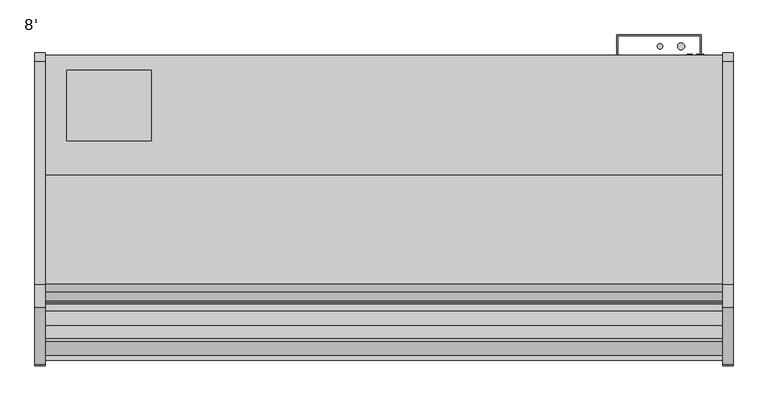
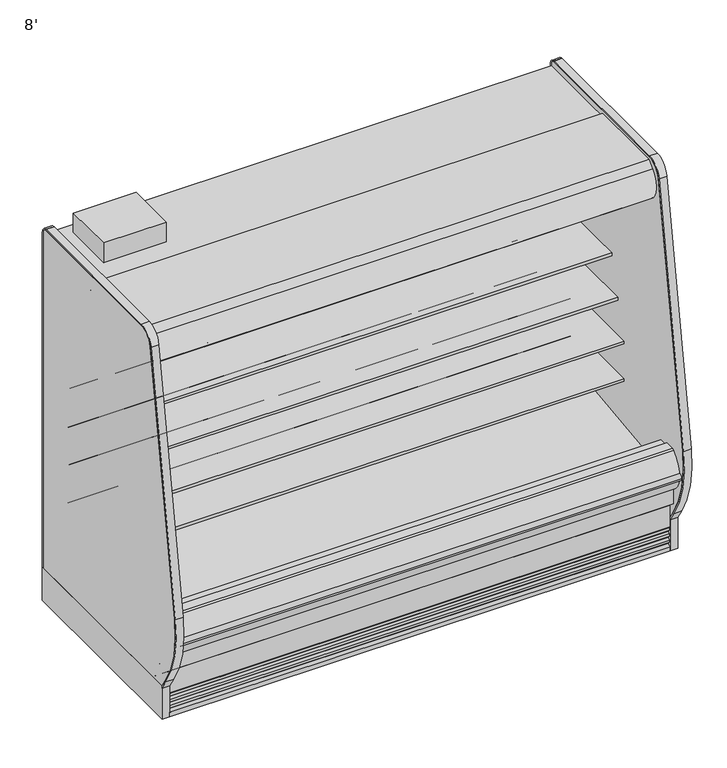
"""IFC4 building model written with IfcOpenShell, lengths in millimetres: proxy geometry, 8'."""

from ifc_helpers import new_model, si_unit, point, frame, frame_2d, origin, origin_with_axes, place, context, project, spatial, polyline, circle_curve, trimmed, segment, composite_curve, outline, extrude, faceted_brep, source, transform, mapped, element, save
from ifc_brep_helpers import plane_surface, cylinder_surface, revolved_surface, advanced_brep


def proxy_8_2a17a5bb(model_context):
    return source(origin(), model_context, "Body", "SolidModel", [
        extrude(outline(polyline([(381.0, -452.3089273), (381.0, -706.3089273), (76.2, -706.3089273), (76.2, -452.3089273), (381.0, -452.3089273)])), frame((0.0, 0.0, 1890.890681), z_axis=(0.0, 0.0, 1.0), x_axis=(1.0, 0.0, 0.0)), (0.0, 0.0, 1.0), 101.6),
        extrude(outline(composite_curve([segment(polyline([(-501.7581995, 650.7627781), (-501.7581995, 575.6617518), (-525.138746, 575.6617518)]), True, "CONTINUOUS"), segment(trimmed(circle_curve(frame_2d((-525.5705821, 601.0580806)), 25.4), [point((-525.138746, 575.6617518))], [point((-541.5479383, 581.3125979))], False, "CARTESIAN"), True, "CONTINUOUS"), segment(polyline([(-541.5479383, 581.3125979), (-559.3999995, 595.7578634)]), True, "CONTINUOUS"), segment(trimmed(circle_curve(frame_2d((-599.3433901, 546.3941567)), 63.5), [point((-559.3999995, 595.7578634))], [point((-591.4455089, 609.4010886))], True, "CARTESIAN"), True, "CONTINUOUS"), segment(polyline([(-591.4455089, 609.4010886), (-866.0092482, 633.098226), (-867.4980247, 636.5387781), (-1009.7581995, 636.5387781), (-1009.7581995, 650.7627781), (-501.7581995, 650.7627781)]), True, "CONTINUOUS")], self_intersect=False)), frame((0.0, 0.0, 0.0), z_axis=(1.0, 0.0, 0.0), x_axis=(0.0, 1.0, 0.0)), (0.0, 0.0, 1.0), 2438.4),
        extrude(outline(composite_curve([segment(polyline([(-501.7581995, 844.576863), (-501.7581995, 769.4758366), (-525.138746, 769.4758366)]), True, "CONTINUOUS"), segment(trimmed(circle_curve(frame_2d((-525.5705821, 794.8721655)), 25.4), [point((-525.138746, 769.4758366))], [point((-541.5479383, 775.1266828))], False, "CARTESIAN"), True, "CONTINUOUS"), segment(polyline([(-541.5479383, 775.1266828), (-559.3999995, 789.5719483)]), True, "CONTINUOUS"), segment(trimmed(circle_curve(frame_2d((-599.3433901, 740.2082415)), 63.5), [point((-559.3999995, 789.5719483))], [point((-591.4455089, 803.2151735))], True, "CARTESIAN"), True, "CONTINUOUS"), segment(polyline([(-591.4455089, 803.2151735), (-866.0092482, 826.9123109), (-867.4980247, 830.352863), (-1009.7581995, 830.352863), (-1009.7581995, 844.576863), (-501.7581995, 844.576863)]), True, "CONTINUOUS")], self_intersect=False)), frame((0.0, 0.0, 0.0), z_axis=(1.0, 0.0, 0.0), x_axis=(0.0, 1.0, 0.0)), (0.0, 0.0, 1.0), 2438.4),
        extrude(outline(composite_curve([segment(polyline([(-501.7581995, 1038.3909479), (-501.7581995, 963.2899215), (-525.138746, 963.2899215)]), True, "CONTINUOUS"), segment(trimmed(circle_curve(frame_2d((-525.5705821, 988.6862503)), 25.4), [point((-525.138746, 963.2899215))], [point((-541.5479383, 968.9407676))], False, "CARTESIAN"), True, "CONTINUOUS"), segment(polyline([(-541.5479383, 968.9407676), (-559.3999995, 983.3860332)]), True, "CONTINUOUS"), segment(trimmed(circle_curve(frame_2d((-599.3433901, 934.0223264)), 63.5), [point((-559.3999995, 983.3860332))], [point((-591.4455089, 997.0292583))], True, "CARTESIAN"), True, "CONTINUOUS"), segment(polyline([(-591.4455089, 997.0292583), (-866.0092482, 1020.7263958), (-867.4980247, 1024.1669479), (-958.9581995, 1024.1669479), (-958.9581995, 1038.3909479), (-501.7581995, 1038.3909479)]), True, "CONTINUOUS")], self_intersect=False)), frame((0.0, 0.0, 0.0), z_axis=(1.0, 0.0, 0.0), x_axis=(0.0, 1.0, 0.0)), (0.0, 0.0, 1.0), 2438.4),
        extrude(outline(composite_curve([segment(trimmed(circle_curve(frame_2d((2212.975, -366.5839273)), 9.525), [point((2203.45, -366.5839273))], [point((2222.5, -366.5839273))], False, "CARTESIAN"), True, "CONTINUOUS"), segment(trimmed(circle_curve(frame_2d((2212.975, -366.5839273)), 9.525), [point((2222.5, -366.5839273))], [point((2203.45, -366.5839273))], False, "CARTESIAN"), True, "CONTINUOUS")], self_intersect=False)), frame((0.0, 0.0, 1384.8875996), z_axis=(0.0, 0.0, 1.0), x_axis=(1.0, 0.0, 0.0)), (0.0, 0.0, 1.0), 465.5662814),
        extrude(outline(composite_curve([segment(trimmed(circle_curve(frame_2d((2289.175, -366.5839273)), 12.7), [point((2276.475, -366.5839273))], [point((2301.875, -366.5839273))], False, "CARTESIAN"), True, "CONTINUOUS"), segment(trimmed(circle_curve(frame_2d((2289.175, -366.5839273)), 12.7), [point((2301.875, -366.5839273))], [point((2276.475, -366.5839273))], False, "CARTESIAN"), True, "CONTINUOUS")], self_intersect=False)), frame((0.0, 0.0, 1384.8875996), z_axis=(0.0, 0.0, 1.0), x_axis=(1.0, 0.0, 0.0)), (0.0, 0.0, 1.0), 465.5662814),
        extrude(outline(polyline([(2359.025, -401.5089273), (2359.025, -328.4839273), (2060.6752368, -328.4839273), (2060.6752368, -401.5089273), (2057.4, -401.5089273), (2057.4, -325.3089273), (2362.2, -325.3089273), (2362.2, -401.5089273), (2359.025, -401.5089273)])), frame((0.0, 0.0, 636.9744553), z_axis=(0.0, 0.0, 1.0), x_axis=(1.0, 0.0, 0.0)), (0.0, 0.0, 1.0), 1177.4114257),
        extrude(outline(composite_curve([segment(trimmed(circle_curve(frame_2d((2241.55, -1128.5839273)), 12.7), [point((2228.85, -1128.5839273))], [point((2254.25, -1128.5839273))], False, "CARTESIAN"), True, "CONTINUOUS"), segment(trimmed(circle_curve(frame_2d((2241.55, -1128.5839273)), 12.7), [point((2254.25, -1128.5839273))], [point((2228.85, -1128.5839273))], False, "CARTESIAN"), True, "CONTINUOUS")], self_intersect=False)), frame((0.0, 0.0, 66.7090149), z_axis=(0.0, 0.0, 1.0), x_axis=(1.0, 0.0, 0.0)), (0.0, 0.0, 1.0), 57.1159851),
        extrude(outline(composite_curve([segment(trimmed(circle_curve(frame_2d((2203.45, -1128.5839273)), 9.525), [point((2193.925, -1128.5839273))], [point((2212.975, -1128.5839273))], False, "CARTESIAN"), True, "CONTINUOUS"), segment(trimmed(circle_curve(frame_2d((2203.45, -1128.5839273)), 9.525), [point((2212.975, -1128.5839273))], [point((2193.925, -1128.5839273))], False, "CARTESIAN"), True, "CONTINUOUS")], self_intersect=False)), frame((0.0, 0.0, 66.7090149), z_axis=(0.0, 0.0, 1.0), x_axis=(1.0, 0.0, 0.0)), (0.0, 0.0, 1.0), 57.1159851),
        extrude(outline(composite_curve([segment(trimmed(circle_curve(frame_2d((-772.0018909, 1757.6527872)), 14.2875), [point((-786.2893909, 1757.6527872))], [point((-757.7143909, 1757.6527872))], False, "CARTESIAN"), True, "CONTINUOUS"), segment(trimmed(circle_curve(frame_2d((-772.0018909, 1757.6527872)), 14.2875), [point((-757.7143909, 1757.6527872))], [point((-786.2893909, 1757.6527872))], False, "CARTESIAN"), True, "CONTINUOUS")], self_intersect=False)), frame((0.0, 0.0, 0.0), z_axis=(1.0, 0.0, 0.0), x_axis=(0.0, 1.0, 0.0)), (0.0, 0.0, 1.0), 2438.4),
        extrude(outline(polyline([(744.7751963, -1346.7911816), (435.3523963, -1346.7911816), (435.3523963, -1246.4115659), (744.7751963, -1246.4115659), (744.7751963, -1346.7911816)])), frame((0.0, 0.0, 53.2186364), z_axis=(0.0, 0.0, 1.0), x_axis=(1.0, 0.0, 0.0)), (0.0, 0.0, 1.0), 9.8914),
        faceted_brep([(2438.4, -1207.9589273, 133.35), (2438.4, -1271.9080824, 133.35), (2438.4, -1376.2733538, 217.6113531), (2438.4, -1376.2733538, 10.9768116), (2438.4, -1207.9589273, 10.9768116), (0.0, -1207.9589273, 133.35), (0.0, -1207.9589273, 10.9768116), (0.0, -1376.2733538, 10.9768116), (0.0, -1376.2733538, 217.6113531), (0.0, -1271.9080824, 133.35), (744.7751963, -1346.7911816, 10.9768116), (744.7751963, -1246.4115659, 10.9768116), (435.3523963, -1246.4115659, 10.9768116), (435.3523963, -1346.7911816, 10.9768116), (744.7751963, -1346.7911816, 63.1100364), (435.3523963, -1346.7911816, 63.1100364), (435.3523963, -1246.4115659, 63.1100364), (744.7751963, -1246.4115659, 63.1100364)], [[[0, 1, 2, 3, 4]], [[5, 6, 7, 8, 9]], [[1, 0, 5, 9]], [[2, 1, 9, 8]], [[3, 2, 8, 7]], [[4, 3, 7, 6], [10, 11, 12, 13]], [[0, 4, 6, 5]], [[14, 15, 16, 17]], [[14, 17, 11, 10]], [[17, 16, 12, 11]], [[16, 15, 13, 12]], [[15, 14, 10, 13]]]),
        extrude(outline(composite_curve([segment(trimmed(circle_curve(frame_2d((497.8112651, 2358.8090336)), 12.7), [point((497.8112651, 2371.5090336))], [point((497.8112651, 2346.1090336))], False, "CARTESIAN"), True, "CONTINUOUS"), segment(trimmed(circle_curve(frame_2d((497.8112651, 2358.8090336)), 12.7), [point((497.8112651, 2346.1090336))], [point((497.8112651, 2371.5090336))], False, "CARTESIAN"), True, "CONTINUOUS")], self_intersect=False)), frame((0.0, -447.5561252, 0.0), z_axis=(0.0, 1.0, 0.0), x_axis=(0.0, 0.0, 1.0)), (0.0, 0.0, 1.0), 52.3971979),
        extrude(outline(composite_curve([segment(trimmed(circle_curve(frame_2d((497.8112651, 2320.3972115)), 9.525), [point((497.8112651, 2329.9222115))], [point((497.8112651, 2310.8722115))], False, "CARTESIAN"), True, "CONTINUOUS"), segment(trimmed(circle_curve(frame_2d((497.8112651, 2320.3972115)), 9.525), [point((497.8112651, 2310.8722115))], [point((497.8112651, 2329.9222115))], False, "CARTESIAN"), True, "CONTINUOUS")], self_intersect=False)), frame((0.0, -447.5561252, 0.0), z_axis=(0.0, 1.0, 0.0), x_axis=(0.0, 0.0, 1.0)), (0.0, 0.0, 1.0), 52.3971979),
        extrude(outline(composite_curve([segment(polyline([(-448.6101762, 1839.296931), (-448.6101762, 407.920884), (-501.7581995, 407.920884), (-501.7581995, 1761.0279745)]), True, "CONTINUOUS"), segment(trimmed(circle_curve(frame_2d((-527.1581995, 1761.0279745)), 25.4), [point((-501.7581995, 1761.0279745))], [point((-527.1581995, 1786.4279745))], True, "CARTESIAN"), True, "CONTINUOUS"), segment(polyline([(-527.1581995, 1786.4279745), (-992.6733136, 1786.4279745), (-992.6733136, 1753.1446108), (-1003.5184137, 1753.1446108)]), True, "CONTINUOUS"), segment(trimmed(circle_curve(frame_2d((-1003.5184137, 1753.4621108)), 0.3175), [point((-1003.5184137, 1753.1446108))], [point((-1003.5184137, 1753.7796108))], False, "CARTESIAN"), True, "CONTINUOUS"), segment(polyline([(-1003.5184137, 1753.7796108), (-993.3389611, 1753.7796108), (-993.3389611, 1779.1796104), (-1094.9389599, 1779.1796104), (-1094.9389599, 1753.7796108), (-1084.7595073, 1753.7796108)]), True, "CONTINUOUS"), segment(trimmed(circle_curve(frame_2d((-1084.7595073, 1753.4621108)), 0.3175), [point((-1084.7595073, 1753.7796108))], [point((-1084.7595073, 1753.1446108))], False, "CARTESIAN"), True, "CONTINUOUS"), segment(polyline([(-1084.7595073, 1753.1446108), (-1095.6048165, 1753.1446108), (-1095.5967104, 1839.296931), (-448.6101762, 1839.296931)]), True, "CONTINUOUS")], self_intersect=False)), frame((0.0, 0.0, 0.0), z_axis=(1.0, 0.0, 0.0), x_axis=(0.0, 1.0, 0.0)), (0.0, 0.0, 1.0), 2438.4),
        advanced_brep(
        [(2438.4, -1425.6139874, 394.41755), (2438.4, -1425.6139874, 257.4474833), (2438.4, -1271.9080824, 133.35), (2438.4, -398.3339273, 133.35), (2438.4, -398.3339273, 1890.890681), (2438.4, -1136.0666873, 1890.890681), (2438.4, -1136.0666873, 1839.296931), (2438.4, -448.6101762, 1839.296931), (2438.4, -448.6101762, 367.1445251), (2438.4, -596.3264929, 214.837363), (2438.4, -1040.4181205, 198.8529213), (2438.4, -1093.5300237, 160.270884), (2438.4, -1160.3460307, 160.270884), (2438.4, -1218.3906168, 192.4470563), (2438.4, -1376.1093872, 344.7542153), (2438.4, -1376.1093872, 394.41755), (0.0, -1425.6139874, 394.41755), (0.0, -1376.1093872, 394.41755), (0.0, -1376.1093872, 344.7542153), (0.0, -1218.3906168, 192.4470563), (0.0, -1160.3460307, 160.270884), (0.0, -1093.5300237, 160.270884), (0.0, -1040.4181205, 198.8529213), (0.0, -596.3264929, 214.837363), (0.0, -448.6101762, 367.1445251), (0.0, -448.6101762, 1839.296931), (0.0, -1136.0666873, 1839.296931), (0.0, -1136.0666873, 1890.890681), (0.0, -398.3339273, 1890.890681), (0.0, -398.3339273, 133.35), (0.0, -1271.9080824, 133.35), (0.0, -1425.6139874, 257.4474833), (2336.8, -398.3339273, 362.4825072), (2336.8, -398.3339273, 464.0825072), (2336.8, -444.3811252, 362.4825072), (2336.8, -444.3811252, 464.0825072)],
        [
            (0, 1),
            (1, 2),
            (2, 3),
            (3, 4),
            (4, 5),
            (5, 6),
            (6, 7),
            (7, 8),
            (8, 9, circle_curve(frame((2438.4, -601.8382276, 367.9684683), z_axis=(-1.0, 0.0, 0.0), x_axis=(0.0, 1.0, 0.0)), 153.2302667)),
            (9, 10),
            (10, 11),
            (11, 12),
            (12, 13),
            (13, 14, circle_curve(frame((2438.4, -1223.7093872, 344.7542153), z_axis=(-1.0, 0.0, 0.0), x_axis=(0.0, 1.0, 0.0)), 152.4)),
            (14, 15),
            (15, 0),
            (16, 17),
            (17, 18),
            (18, 19, circle_curve(frame((0.0, -1223.7093872, 344.7542153), z_axis=(1.0, 0.0, 0.0), x_axis=(0.0, 1.0, 0.0)), 152.4)),
            (19, 20),
            (20, 21),
            (21, 22),
            (22, 23),
            (23, 24, circle_curve(frame((0.0, -601.8382276, 367.9684683), z_axis=(1.0, 0.0, 0.0), x_axis=(0.0, 1.0, 0.0)), 153.2302667)),
            (24, 25),
            (25, 26),
            (26, 27),
            (27, 28),
            (28, 29),
            (29, 30),
            (30, 31),
            (31, 16),
            (0, 16),
            (31, 1),
            (30, 2),
            (29, 3),
            (28, 4),
            (32, 33, circle_curve(frame((2336.8, -398.3339273, 413.2825072), z_axis=(0.0, -1.0, 0.0), x_axis=(0.0, 0.0, 1.0)), 50.8)),
            (33, 32, circle_curve(frame((2336.8, -398.3339273, 413.2825072), z_axis=(0.0, -1.0, 0.0), x_axis=(0.0, 0.0, 1.0)), 50.8)),
            (27, 5),
            (26, 6),
            (25, 7),
            (24, 8),
            (23, 9),
            (22, 10),
            (21, 11),
            (20, 12),
            (19, 13),
            (18, 14),
            (17, 15),
            (34, 35, circle_curve(frame((2336.8, -444.3811252, 413.2825072), z_axis=(0.0, 1.0, 0.0), x_axis=(0.0, 0.0, 1.0)), 50.8)),
            (35, 34, circle_curve(frame((2336.8, -444.3811252, 413.2825072), z_axis=(0.0, 1.0, 0.0), x_axis=(0.0, 0.0, 1.0)), 50.8)),
            (35, 33),
            (32, 34),
        ],
        [
            plane_surface(frame((2438.4, -1425.6139874, 257.4474833), z_axis=(1.0, 0.0, 0.0), x_axis=(0.0, 0.0, -1.0))),
            plane_surface(frame((0.0, -1425.6139874, 257.4474833), z_axis=(-1.0, 0.0, 0.0), x_axis=(0.0, 0.0, 1.0))),
            plane_surface(frame((2438.4, -1425.6139874, 394.41755), z_axis=(0.0, -1.0, 0.0), x_axis=(-1.0, 0.0, 0.0))),
            plane_surface(frame((2438.4, -1425.6139874, 257.4474833), z_axis=(0.0, -0.6281851642637385, -0.7780638787393617), x_axis=(-1.0, 0.0, 0.0))),
            plane_surface(frame((2438.4, -1271.9080824, 133.35), z_axis=(0.0, 0.0, -1.0), x_axis=(-1.0, 0.0, 0.0))),
            plane_surface(frame((2438.4, -398.3339273, 133.35), z_axis=(0.0, 1.0, 0.0), x_axis=(-1.0, 0.0, 0.0))),
            plane_surface(frame((2438.4, -398.3339273, 1890.890681), z_axis=(0.0, 0.0, 1.0), x_axis=(-1.0, 0.0, 0.0))),
            plane_surface(frame((2438.4, -1136.0666873, 1890.890681), z_axis=(0.0, -1.0, 0.0), x_axis=(-1.0, 0.0, 0.0))),
            plane_surface(frame((2438.4, -1136.0666873, 1839.296931), z_axis=(0.0, 0.0, -1.0), x_axis=(-1.0, 0.0, 0.0))),
            plane_surface(frame((2438.4, -448.6101762, 1839.296931), z_axis=(0.0, -1.0, 0.0), x_axis=(-1.0, 0.0, 0.0))),
            revolved_surface(polyline([(0.0, -448.60796089999997, 367.9684683), (2438.4, -448.60796089999997, 367.9684683)]), (0.0, -601.8382276, 367.9684683), (-1.0, 0.0, 0.0)),
            plane_surface(frame((2438.4, -596.3264929, 214.837363), z_axis=(0.0, -0.035970274152171335, 0.9993528602938092), x_axis=(-1.0, 0.0, 0.0))),
            plane_surface(frame((2438.4, -1040.4181205, 198.8529213), z_axis=(0.0, -0.5877252382160976, 0.8090605937529224), x_axis=(-1.0, 0.0, 0.0))),
            plane_surface(frame((2438.4, -1093.5300237, 160.270884), z_axis=(0.0, 0.0, 1.0), x_axis=(-1.0, 0.0, 0.0))),
            plane_surface(frame((2438.4, -1160.3460307, 160.270884), z_axis=(0.0, 0.4848272875913194, 0.8746099137368866), x_axis=(-1.0, 0.0, 0.0))),
            revolved_surface(polyline([(0.0, -1071.3093872, 344.7542153), (2438.4, -1071.3093872, 344.7542153)]), (0.0, -1223.7093872, 344.7542153), (-1.0, 0.0, 0.0)),
            plane_surface(frame((2438.4, -1376.1093872, 344.7542153), z_axis=(0.0, 1.0, 0.0), x_axis=(-1.0, 0.0, 0.0))),
            plane_surface(frame((2438.4, -1376.1093872, 394.41755), z_axis=(0.0, 0.0, 1.0), x_axis=(-1.0, 0.0, 0.0))),
            plane_surface(frame((2336.8, -444.3811252, 464.0825072), z_axis=(0.0, 1.0, 0.0), x_axis=(-1.0, 0.0, 0.0))),
            revolved_surface(polyline([(2336.8, -444.3811252, 464.0825072), (2336.8, -398.3339273, 464.0825072)]), (2336.8, -398.3339273, 413.2825072), (0.0, -1.0, 0.0)),
        ],
        [
            (0, [[1, 2, 3, 4, 5, 6, 7, 8, 9, 10, 11, 12, 13, 14, 15, 16]]),
            (1, [[17, 18, 19, 20, 21, 22, 23, 24, 25, 26, 27, 28, 29, 30, 31, 32]]),
            (2, [[-1, 33, -32, 34]]),
            (3, [[-2, -34, -31, 35]]),
            (4, [[-3, -35, -30, 36]]),
            (5, [[-4, -36, -29, 37], [38, 39]]),
            (6, [[-5, -37, -28, 40]]),
            (7, [[-6, -40, -27, 41]]),
            (8, [[-7, -41, -26, 42]]),
            (9, [[-8, -42, -25, 43]]),
            (10, [[-9, -43, -24, 44]]),
            (11, [[-10, -44, -23, 45]]),
            (12, [[-11, -45, -22, 46]]),
            (13, [[-12, -46, -21, 47]]),
            (14, [[-13, -47, -20, 48]]),
            (15, [[-14, -48, -19, 49]]),
            (16, [[-15, -49, -18, 50]]),
            (17, [[-16, -50, -17, -33]]),
            (18, [[51, 52]]),
            (19, [[-52, 53, -38, 54]]),
            (19, [[-51, -54, -39, -53]]),
        ],
    ),
        advanced_brep(
        [(2438.4, -1321.1559113, 376.2501999), (2438.4, -1321.1559113, 524.3829999), (2438.4, -1376.1093872, 524.3829999), (2438.4, -1376.1093872, 344.7542153), (2438.4, -1218.3906168, 192.4470563), (2438.4, -1160.3460307, 160.270884), (2438.4, -1093.5300237, 160.270884), (2438.4, -1040.4181205, 198.8529213), (2438.4, -596.3264929, 214.837363), (2438.4, -448.6101762, 367.1445251), (2438.4, -448.6101762, 407.920884), (2438.4, -501.7581995, 407.920884), (2438.4, -501.7581995, 472.5646663), (2438.4, -513.5722923, 459.8956028), (2438.4, -607.0176758, 453.3612651), (2438.4, -607.4656734, 459.7679299), (2438.4, -1288.3966401, 378.1918392), (2438.4, -1293.8382113, 376.2501999), (0.0, -1321.1559113, 376.2501999), (0.0, -1293.8382113, 376.2501999), (0.0, -1288.3966401, 378.1918392), (0.0, -607.4656734, 459.7679299), (0.0, -607.0176758, 453.3612651), (0.0, -513.5722923, 459.8956028), (0.0, -501.7581995, 472.5646663), (0.0, -501.7581995, 407.920884), (0.0, -448.6101762, 407.920884), (0.0, -448.6101762, 367.1445251), (0.0, -596.3264929, 214.837363), (0.0, -1040.4181205, 198.8529213), (0.0, -1093.5300237, 160.270884), (0.0, -1160.3460307, 160.270884), (0.0, -1218.3906168, 192.4470563), (0.0, -1376.1093872, 344.7542153), (0.0, -1376.1093872, 524.3829999), (0.0, -1321.1559113, 524.3829999)],
        [
            (0, 1),
            (1, 2),
            (2, 3),
            (3, 4, circle_curve(frame((2438.4, -1223.7093872, 344.7542153), z_axis=(1.0, 0.0, 0.0), x_axis=(0.0, 1.0, 0.0)), 152.4)),
            (4, 5),
            (5, 6),
            (6, 7),
            (7, 8),
            (8, 9, circle_curve(frame((2438.4, -601.8382276, 367.9684683), z_axis=(1.0, 0.0, 0.0), x_axis=(0.0, 1.0, 0.0)), 153.2302667)),
            (9, 10),
            (10, 11),
            (11, 12),
            (12, 13, circle_curve(frame((2438.4, -514.4581995, 472.5646663), z_axis=(-1.0, 0.0, 0.0), x_axis=(0.0, 1.0, 0.0)), 12.7)),
            (13, 14),
            (14, 15),
            (15, 16),
            (16, 17),
            (17, 0),
            (18, 19),
            (19, 20),
            (20, 21),
            (21, 22),
            (22, 23),
            (23, 24, circle_curve(frame((0.0, -514.4581995, 472.5646663), z_axis=(1.0, 0.0, 0.0), x_axis=(0.0, 1.0, 0.0)), 12.7)),
            (24, 25),
            (25, 26),
            (26, 27),
            (27, 28, circle_curve(frame((0.0, -601.8382276, 367.9684683), z_axis=(-1.0, 0.0, 0.0), x_axis=(0.0, 1.0, 0.0)), 153.2302667)),
            (28, 29),
            (29, 30),
            (30, 31),
            (31, 32),
            (32, 33, circle_curve(frame((0.0, -1223.7093872, 344.7542153), z_axis=(-1.0, 0.0, 0.0), x_axis=(0.0, 1.0, 0.0)), 152.4)),
            (33, 34),
            (34, 35),
            (35, 18),
            (0, 18),
            (35, 1),
            (34, 2),
            (33, 3),
            (32, 4),
            (31, 5),
            (30, 6),
            (29, 7),
            (28, 8),
            (27, 9),
            (26, 10),
            (25, 11),
            (24, 12),
            (23, 13),
            (22, 14),
            (21, 15),
            (20, 16),
            (19, 17),
        ],
        [
            plane_surface(frame((2438.4, -1321.1559113, 524.3829999), z_axis=(1.0, 0.0, 0.0), x_axis=(0.0, 0.0, 1.0))),
            plane_surface(frame((0.0, -1321.1559113, 524.3829999), z_axis=(-1.0, 0.0, 0.0), x_axis=(0.0, 0.0, -1.0))),
            plane_surface(frame((2438.4, -1321.1559113, 376.2501999), z_axis=(0.0, 1.0, 0.0), x_axis=(-1.0, 0.0, 0.0))),
            plane_surface(frame((2438.4, -1321.1559113, 524.3829999), z_axis=(0.0, 0.0, 1.0), x_axis=(-1.0, 0.0, 0.0))),
            plane_surface(frame((2438.4, -1376.1093872, 524.3829999), z_axis=(0.0, -1.0, 0.0), x_axis=(-1.0, 0.0, 0.0))),
            cylinder_surface(frame((0.0, -1223.7093872, 344.7542153), z_axis=(1.0, 0.0, 0.0), x_axis=(0.0, 1.0, 0.0)), 152.4),
            plane_surface(frame((2438.4, -1218.3906168, 192.4470563), z_axis=(0.0, -0.48482728759131477, -0.8746099137368891), x_axis=(-1.0, 0.0, 0.0))),
            plane_surface(frame((2438.4, -1160.3460307, 160.270884), z_axis=(0.0, 0.0, -1.0), x_axis=(-1.0, 0.0, 0.0))),
            plane_surface(frame((2438.4, -1093.5300237, 160.270884), z_axis=(0.0, 0.587725238216098, -0.8090605937529222), x_axis=(-1.0, 0.0, 0.0))),
            plane_surface(frame((2438.4, -1040.4181205, 198.8529213), z_axis=(0.0, 0.03597027415217118, -0.9993528602938092), x_axis=(-1.0, 0.0, 0.0))),
            cylinder_surface(frame((0.0, -601.8382276, 367.9684683), z_axis=(1.0, 0.0, 0.0), x_axis=(0.0, 1.0, 0.0)), 153.2302667),
            plane_surface(frame((2438.4, -448.6101762, 367.1445251), z_axis=(0.0, 1.0, 0.0), x_axis=(-1.0, 0.0, 0.0))),
            plane_surface(frame((2438.4, -448.6101762, 407.920884), z_axis=(0.0, 0.0, 1.0), x_axis=(-1.0, 0.0, 0.0))),
            plane_surface(frame((2438.4, -501.7581995, 407.920884), z_axis=(0.0, 1.0, 0.0), x_axis=(-1.0, 0.0, 0.0))),
            revolved_surface(polyline([(0.0, -501.7581995, 472.5646663), (2438.4, -501.7581995, 472.5646663)]), (0.0, -514.4581995, 472.5646663), (-1.0, 0.0, 0.0)),
            plane_surface(frame((2438.4, -513.5722923, 459.8956028), z_axis=(0.0, -0.0697564736977033, 0.9975640502630705), x_axis=(-1.0, 0.0, 0.0))),
            plane_surface(frame((2438.4, -607.0176758, 453.3612651), z_axis=(0.0, 0.9975640502631785, 0.06975647369615752), x_axis=(-1.0, 0.0, 0.0))),
            plane_surface(frame((2438.4, -607.4656734, 459.7679299), z_axis=(0.0, -0.1189502633854896, 0.9929002139392069), x_axis=(-1.0, 0.0, 0.0))),
            plane_surface(frame((2438.4, -1288.3966401, 378.1918392), z_axis=(0.0, -0.33606330765114173, 0.9418393988629772), x_axis=(-1.0, 0.0, 0.0))),
            plane_surface(frame((2438.4, -1293.8382113, 376.2501999), z_axis=(0.0, 0.0, 1.0), x_axis=(-1.0, 0.0, 0.0))),
        ],
        [
            (0, [[1, 2, 3, 4, 5, 6, 7, 8, 9, 10, 11, 12, 13, 14, 15, 16, 17, 18]]),
            (1, [[19, 20, 21, 22, 23, 24, 25, 26, 27, 28, 29, 30, 31, 32, 33, 34, 35, 36]]),
            (2, [[-1, 37, -36, 38]]),
            (3, [[-2, -38, -35, 39]]),
            (4, [[-3, -39, -34, 40]]),
            (5, [[-4, -40, -33, 41]]),
            (6, [[-5, -41, -32, 42]]),
            (7, [[-6, -42, -31, 43]]),
            (8, [[-7, -43, -30, 44]]),
            (9, [[-8, -44, -29, 45]]),
            (10, [[-9, -45, -28, 46]]),
            (11, [[-10, -46, -27, 47]]),
            (12, [[-11, -47, -26, 48]]),
            (13, [[-12, -48, -25, 49]]),
            (14, [[-13, -49, -24, 50]]),
            (15, [[-14, -50, -23, 51]]),
            (16, [[-15, -51, -22, 52]]),
            (17, [[-16, -52, -21, 53]]),
            (18, [[-17, -53, -20, 54]]),
            (19, [[-18, -54, -19, -37]]),
        ],
    ),
        extrude(outline(composite_curve([segment(trimmed(circle_curve(frame_2d((1219.2, -1128.5839273)), 38.1), [point((1181.1, -1128.5839273))], [point((1257.3, -1128.5839273))], False, "CARTESIAN"), True, "CONTINUOUS"), segment(trimmed(circle_curve(frame_2d((1219.2, -1128.5839273)), 38.1), [point((1257.3, -1128.5839273))], [point((1181.1, -1128.5839273))], False, "CARTESIAN"), True, "CONTINUOUS")], self_intersect=False)), frame((0.0, 0.0, 66.7090149), z_axis=(0.0, 0.0, 1.0), x_axis=(1.0, 0.0, 0.0)), (0.0, 0.0, 1.0), 57.1159851),
        advanced_brep(
        [(2438.4, -401.5089273, 0.0), (2438.4, -401.5089273, 133.35), (2438.4, -1207.9589273, 133.35), (2438.4, -1207.9589273, 0.0), (2438.4, -1161.1594273, 0.0), (2438.4, -1161.1594273, 74.8810382), (2438.4, -446.7209273, 74.8810382), (2438.4, -446.7209273, 0.0), (0.0, -401.5089273, 0.0), (0.0, -446.7209273, 0.0), (0.0, -446.7209273, 74.8810382), (0.0, -1161.1594273, 74.8810382), (0.0, -1161.1594273, 0.0), (0.0, -1207.9589273, 0.0), (0.0, -1207.9589273, 133.35), (0.0, -401.5089273, 133.35), (1180.2195331, -1161.1594273, 0.0), (1258.1804669, -1161.1594273, 0.0), (2183.5195331, -1161.1594273, 0.0), (2261.4804669, -1161.1594273, 0.0), (2261.4804669, -1161.1594273, 74.8810382), (1180.2195331, -1161.1594273, 74.8810382), (1258.1804669, -1161.1594273, 74.8810382), (2183.5195331, -1161.1594273, 74.8810382), (2273.3, -1128.5839273, 74.8810382), (2171.7, -1128.5839273, 74.8810382), (1270.0, -1128.5839273, 74.8810382), (1168.4, -1128.5839273, 74.8810382), (1168.4, -1128.5839273, 123.825), (1270.0, -1128.5839273, 123.825), (2171.7, -1128.5839273, 123.825), (2273.3, -1128.5839273, 123.825)],
        [
            (0, 1),
            (1, 2),
            (2, 3),
            (3, 4),
            (4, 5),
            (5, 6),
            (6, 7),
            (7, 0),
            (8, 9),
            (9, 10),
            (10, 11),
            (11, 12),
            (12, 13),
            (13, 14),
            (14, 15),
            (15, 8),
            (0, 8),
            (15, 1),
            (14, 2),
            (13, 3),
            (12, 16),
            (16, 17, circle_curve(frame((1219.2, -1128.5839273, 0.0), z_axis=(0.0, 0.0, 1.0), x_axis=(1.0, 0.0, 0.0)), 50.8)),
            (17, 18),
            (18, 19, circle_curve(frame((2222.5, -1128.5839273, 0.0), z_axis=(0.0, 0.0, 1.0), x_axis=(1.0, 0.0, 0.0)), 50.8)),
            (19, 4),
            (19, 20),
            (20, 5),
            (11, 21),
            (21, 16),
            (17, 22),
            (22, 23),
            (23, 18),
            (20, 24, circle_curve(frame((2222.5, -1128.5839273, 74.8810382), z_axis=(0.0, 0.0, 1.0), x_axis=(1.0, 0.0, 0.0)), 50.8)),
            (24, 25, circle_curve(frame((2222.5, -1128.5839273, 74.8810382), z_axis=(0.0, 0.0, 1.0), x_axis=(1.0, 0.0, 0.0)), 50.8)),
            (25, 23, circle_curve(frame((2222.5, -1128.5839273, 74.8810382), z_axis=(0.0, 0.0, 1.0), x_axis=(1.0, 0.0, 0.0)), 50.8)),
            (22, 26, circle_curve(frame((1219.2, -1128.5839273, 74.8810382), z_axis=(0.0, 0.0, 1.0), x_axis=(1.0, 0.0, 0.0)), 50.8)),
            (26, 27, circle_curve(frame((1219.2, -1128.5839273, 74.8810382), z_axis=(0.0, 0.0, 1.0), x_axis=(1.0, 0.0, 0.0)), 50.8)),
            (27, 21, circle_curve(frame((1219.2, -1128.5839273, 74.8810382), z_axis=(0.0, 0.0, 1.0), x_axis=(1.0, 0.0, 0.0)), 50.8)),
            (10, 6),
            (9, 7),
            (28, 29, circle_curve(frame((1219.2, -1128.5839273, 123.825), z_axis=(0.0, 0.0, -1.0), x_axis=(1.0, 0.0, 0.0)), 50.8)),
            (29, 28, circle_curve(frame((1219.2, -1128.5839273, 123.825), z_axis=(0.0, 0.0, -1.0), x_axis=(1.0, 0.0, 0.0)), 50.8)),
            (29, 26),
            (27, 28),
            (30, 31, circle_curve(frame((2222.5, -1128.5839273, 123.825), z_axis=(0.0, 0.0, -1.0), x_axis=(1.0, 0.0, 0.0)), 50.8)),
            (31, 30, circle_curve(frame((2222.5, -1128.5839273, 123.825), z_axis=(0.0, 0.0, -1.0), x_axis=(1.0, 0.0, 0.0)), 50.8)),
            (31, 24),
            (25, 30),
        ],
        [
            plane_surface(frame((2438.4, -401.5089273, 1893.5715584), z_axis=(1.0, 0.0, 0.0), x_axis=(0.0, 0.0, 1.0))),
            plane_surface(frame((0.0, -401.5089273, 1893.5715584), z_axis=(-1.0, 0.0, 0.0), x_axis=(0.0, 0.0, -1.0))),
            plane_surface(frame((2438.4, -401.5089273, 0.0), z_axis=(0.0, 1.0, 0.0), x_axis=(-1.0, 0.0, 0.0))),
            plane_surface(frame((2438.4, -401.5089273, 133.35), z_axis=(0.0, 0.0, 1.0), x_axis=(-1.0, 0.0, 0.0))),
            plane_surface(frame((2438.4, -1207.9589273, 133.35), z_axis=(0.0, -1.0, 0.0), x_axis=(-1.0, 0.0, 0.0))),
            plane_surface(frame((2438.4, -1207.9589273, 0.0), z_axis=(0.0, 0.0, -1.0), x_axis=(-1.0, 0.0, 0.0))),
            plane_surface(frame((2438.4, -1161.1594273, 0.0), z_axis=(0.0, 1.0, 0.0), x_axis=(-1.0, 0.0, 0.0))),
            plane_surface(frame((2438.4, -1161.1594273, 74.8810382), z_axis=(0.0, 0.0, -1.0), x_axis=(-1.0, 0.0, 0.0))),
            plane_surface(frame((2438.4, -446.7209273, 74.8810382), z_axis=(0.0, -1.0, 0.0), x_axis=(-1.0, 0.0, 0.0))),
            plane_surface(frame((2438.4, -446.7209273, 0.0), z_axis=(0.0, 0.0, -1.0), x_axis=(-1.0, 0.0, 0.0))),
            plane_surface(frame((1270.0, -1128.5839273, 123.825), z_axis=(0.0, 0.0, -1.0), x_axis=(0.0, 1.0, 0.0))),
            revolved_surface(polyline([(1270.0, -1128.5839273, 123.825), (1270.0, -1128.5839273, 0.0)]), (1219.2, -1128.5839273, 0.0), (0.0, 0.0, 1.0)),
            revolved_surface(polyline([(1270.0, -1128.5839273, 123.825), (1270.0, -1128.5839273, 74.8810382)]), (1219.2, -1128.5839273, 0.0), (0.0, 0.0, 1.0)),
            plane_surface(frame((2273.3, -1128.5839273, 123.825), z_axis=(0.0, 0.0, -1.0), x_axis=(0.0, 1.0, 0.0))),
            revolved_surface(polyline([(2273.3, -1128.5839273, 123.825), (2273.3, -1128.5839273, 0.0)]), (2222.5, -1128.5839273, 0.0), (0.0, 0.0, 1.0)),
            revolved_surface(polyline([(2273.3, -1128.5839273, 123.825), (2273.3, -1128.5839273, 74.8810382)]), (2222.5, -1128.5839273, 0.0), (0.0, 0.0, 1.0)),
        ],
        [
            (0, [[1, 2, 3, 4, 5, 6, 7, 8]]),
            (1, [[9, 10, 11, 12, 13, 14, 15, 16]]),
            (2, [[-1, 17, -16, 18]]),
            (3, [[-2, -18, -15, 19]]),
            (4, [[-3, -19, -14, 20]]),
            (5, [[-4, -20, -13, 21, 22, 23, 24, 25]]),
            (6, [[-5, -25, 26, 27]]),
            (6, [[-12, 28, 29, -21]]),
            (6, [[30, 31, 32, -23]]),
            (7, [[-6, -27, 33, 34, 35, -31, 36, 37, 38, -28, -11, 39]]),
            (8, [[-7, -39, -10, 40]]),
            (9, [[-8, -40, -9, -17]]),
            (10, [[41, 42]]),
            (11, [[-42, 43, -36, -30, -22, -29, -38, 44]]),
            (12, [[-41, -44, -37, -43]]),
            (13, [[45, 46]]),
            (14, [[-46, 47, -33, -26, -24, -32, -35, 48]]),
            (15, [[-45, -48, -34, -47]]),
        ],
    ),
        extrude(outline(polyline([(2438.4, -993.3389611), (2438.4, -1094.9389599), (0.0, -1094.9389599), (0.0, -993.3389611), (2438.4, -993.3389611)])), frame((0.0, 0.0, 1753.7796108), z_axis=(0.0, 0.0, 1.0), x_axis=(1.0, 0.0, 0.0)), (0.0, 0.0, 1.0), 25.3999996),
        extrude(outline(composite_curve([segment(polyline([(-830.9447918, 1908.175), (-830.9447918, 1890.890681), (-1136.0666873, 1890.890681), (-1136.0666873, 1839.296931), (-1095.6048165, 1839.296931), (-1095.6048165, 1753.1446108), (-1096.7409434, 1753.1446108), (-1142.1232964, 1781.3770512), (-1226.0096298, 1781.3770512), (-1231.4278577, 1752.0024197), (-1239.5228272, 1745.4449165), (-1241.2816599, 1739.5925552), (-1244.5563653, 1734.4834182)]), True, "CONTINUOUS"), segment(trimmed(circle_curve(frame_2d((-1251.828899, 1739.1447544)), 8.6381597), [point((-1244.5563653, 1734.4834182))], [point((-1258.4047513, 1733.5433288))], False, "CARTESIAN"), True, "CONTINUOUS"), segment(trimmed(circle_curve(frame_2d((-1178.1427231, 1801.9119237)), 105.4336661), [point((-1258.4047513, 1733.5433288))], [point((-1251.2033459, 1877.9277336))], False, "CARTESIAN"), True, "CONTINUOUS"), segment(trimmed(circle_curve(frame_2d((-1718.1499588, 2363.7616011)), 673.8498988), [point((-1251.2033459, 1877.9277336))], [point((-1221.6476576, 1908.175))], True, "CARTESIAN"), True, "CONTINUOUS"), segment(polyline([(-1221.6476576, 1908.175), (-830.9447918, 1908.175)]), True, "CONTINUOUS")], self_intersect=False)), frame((0.0, 0.0, 0.0), z_axis=(1.0, 0.0, 0.0), x_axis=(0.0, 1.0, 0.0)), (0.0, 0.0, 1.0), 2438.4),
        extrude(outline(composite_curve([segment(trimmed(circle_curve(frame_2d((-1161.5261636, 1763.2178978)), 14.2875), [point((-1175.8136636, 1763.2178978))], [point((-1147.2386636, 1763.2178978))], False, "CARTESIAN"), True, "CONTINUOUS"), segment(trimmed(circle_curve(frame_2d((-1161.5261636, 1763.2178978)), 14.2875), [point((-1147.2386636, 1763.2178978))], [point((-1175.8136636, 1763.2178978))], False, "CARTESIAN"), True, "CONTINUOUS")], self_intersect=False)), frame((0.0, 0.0, 0.0), z_axis=(1.0, 0.0, 0.0), x_axis=(0.0, 1.0, 0.0)), (0.0, 0.0, 1.0), 2438.4),
        extrude(outline(composite_curve([segment(trimmed(circle_curve(frame_2d((-1206.6074088, 1763.7441153)), 14.2875), [point((-1220.8949088, 1763.7441153))], [point((-1192.3199088, 1763.7441153))], False, "CARTESIAN"), True, "CONTINUOUS"), segment(trimmed(circle_curve(frame_2d((-1206.6074088, 1763.7441153)), 14.2875), [point((-1192.3199088, 1763.7441153))], [point((-1220.8949088, 1763.7441153))], False, "CARTESIAN"), True, "CONTINUOUS")], self_intersect=False)), frame((0.0, 0.0, 0.0), z_axis=(1.0, 0.0, 0.0), x_axis=(0.0, 1.0, 0.0)), (0.0, 0.0, 1.0), 2438.4),
        extrude(outline(polyline([(-752.0389611, 1786.9604817), (-752.0389611, 1785.3733627), (-763.9452111, 1785.3733627), (-799.6639611, 1761.5608627), (-799.6639611, 1785.3733627), (-820.3014611, 1785.3733627), (-820.3014611, 1726.7954807), (-817.0248305, 1710.6661458), (-818.5805536, 1710.3501049), (-821.8889611, 1726.6358627), (-821.8889611, 1786.9604817), (-752.0389611, 1786.9604817)])), frame((0.0, 0.0, 0.0), z_axis=(1.0, 0.0, 0.0), x_axis=(0.0, 1.0, 0.0)), (0.0, 0.0, 1.0), 2438.4),
        extrude(outline(polyline([(-521.3788195, 1507.9597381), (-695.8542362, 1752.5652509), (-689.4610518, 1754.5373597), (-516.209186, 1511.6472019), (-521.3788195, 1507.9597381)])), frame((0.0, 0.0, 0.0), z_axis=(1.0, 0.0, 0.0), x_axis=(0.0, 1.0, 0.0)), (0.0, 0.0, 1.0), 2438.4),
        extrude(outline(composite_curve([segment(polyline([(-501.7581995, 1532.3437165), (-501.7581995, 1494.2444667)]), True, "CONTINUOUS"), segment(trimmed(circle_curve(frame_2d((-504.6156995, 1494.2444667)), 2.8575), [point((-501.7581995, 1494.2444667))], [point((-503.4991853, 1491.6141241))], False, "CARTESIAN"), True, "CONTINUOUS"), segment(polyline([(-503.4991853, 1491.6141241), (-512.5954668, 1487.7529817)]), True, "CONTINUOUS"), segment(trimmed(circle_curve(frame_2d((-513.7119809, 1490.3833244)), 2.8575), [point((-512.5954668, 1487.7529817))], [point((-516.2580321, 1489.0860465))], False, "CARTESIAN"), True, "CONTINUOUS"), segment(polyline([(-516.2580321, 1489.0860465), (-524.1858411, 1504.6452478)]), True, "CONTINUOUS"), segment(trimmed(circle_curve(frame_2d((-523.0542629, 1505.2218158)), 1.27), [point((-524.1858411, 1504.6452478))], [point((-523.6308308, 1506.3533941))], False, "CARTESIAN"), True, "CONTINUOUS"), segment(polyline([(-523.6308308, 1506.3533941), (-516.209186, 1511.6472019), (-504.4246446, 1495.1258842), (-503.0281995, 1494.2444667), (-503.0281995, 1532.3437165), (-501.7581995, 1532.3437165)]), True, "CONTINUOUS")], self_intersect=False)), frame((0.0, 0.0, 0.0), z_axis=(1.0, 0.0, 0.0), x_axis=(0.0, 1.0, 0.0)), (0.0, 0.0, 1.0), 2438.4),
        extrude(outline(composite_curve([segment(polyline([(-693.8438534, 1760.6818209), (-689.4610518, 1754.5373597), (-698.4561946, 1751.7626235)]), True, "CONTINUOUS"), segment(trimmed(circle_curve(frame_2d((-699.1164708, 1753.9031077)), 2.2400083), [point((-698.4561946, 1751.7626235))], [point((-700.3014456, 1752.0021942))], False, "CARTESIAN"), True, "CONTINUOUS"), segment(polyline([(-700.3014456, 1752.0021942), (-724.3310675, 1785.6904817), (-740.2060675, 1785.6904817), (-740.2060675, 1786.9604817), (-724.3310675, 1786.9604817)]), True, "CONTINUOUS"), segment(trimmed(circle_curve(frame_2d((-724.3310675, 1785.6904817)), 1.27), [point((-724.3310675, 1786.9604817))], [point((-723.2971408, 1786.4279745))], False, "CARTESIAN"), True, "CONTINUOUS"), segment(polyline([(-723.2971408, 1786.4279745), (-711.1494423, 1769.3975292), (-701.461549, 1776.3078363)]), True, "CONTINUOUS"), segment(trimmed(circle_curve(frame_2d((-700.7240563, 1775.2739096)), 1.27), [point((-701.461549, 1776.3078363))], [point((-699.6901296, 1776.0114024))], False, "CARTESIAN"), True, "CONTINUOUS"), segment(polyline([(-699.6901296, 1776.0114024), (-690.4714701, 1763.0873185), (-693.8438534, 1760.6818209)]), True, "CONTINUOUS")], self_intersect=False)), frame((0.0, 0.0, 0.0), z_axis=(1.0, 0.0, 0.0), x_axis=(0.0, 1.0, 0.0)), (0.0, 0.0, 1.0), 2438.4),
        extrude(outline(composite_curve([segment(polyline([(-501.7581995, 1236.6027893), (-501.7581995, 1161.501763), (-525.138746, 1161.501763)]), True, "CONTINUOUS"), segment(trimmed(circle_curve(frame_2d((-525.5705821, 1186.8980918)), 25.4), [point((-525.138746, 1161.501763))], [point((-541.5479383, 1167.1526091))], False, "CARTESIAN"), True, "CONTINUOUS"), segment(polyline([(-541.5479383, 1167.1526091), (-559.3999995, 1181.5978746)]), True, "CONTINUOUS"), segment(trimmed(circle_curve(frame_2d((-599.3433901, 1132.2341679)), 63.5), [point((-559.3999995, 1181.5978746))], [point((-591.4455089, 1195.2410998))], True, "CARTESIAN"), True, "CONTINUOUS"), segment(polyline([(-591.4455089, 1195.2410998), (-866.0092482, 1218.9382372), (-867.4980247, 1222.3787893), (-908.1581995, 1222.3787893), (-908.1581995, 1236.6027893), (-501.7581995, 1236.6027893)]), True, "CONTINUOUS")], self_intersect=False)), frame((0.0, 0.0, 0.0), z_axis=(1.0, 0.0, 0.0), x_axis=(0.0, 1.0, 0.0)), (0.0, 0.0, 1.0), 2438.4),
        extrude(outline(composite_curve([segment(trimmed(circle_curve(frame_2d((-1479.6198501, 430.7520385)), 17.2640772), [point((-1496.8839273, 430.7520385))], [point((-1462.3557729, 430.7520385))], False, "CARTESIAN"), True, "CONTINUOUS"), segment(trimmed(circle_curve(frame_2d((-1479.6198501, 430.7520385)), 17.2640772), [point((-1462.3557729, 430.7520385))], [point((-1496.8839273, 430.7520385))], False, "CARTESIAN"), True, "CONTINUOUS")], self_intersect=False)), frame((0.0, 0.0, 0.0), z_axis=(1.0, 0.0, 0.0), x_axis=(0.0, 1.0, 0.0)), (0.0, 0.0, 1.0), 2438.4),
        extrude(outline(composite_curve([segment(polyline([(-1372.4247913, 524.3829999), (-1376.1093872, 524.3829999), (-1376.1093872, 394.41755), (-1425.6139874, 394.41755), (-1425.6139874, 353.1944213), (-1450.0841168, 353.1944213)]), True, "CONTINUOUS"), segment(trimmed(circle_curve(frame_2d((-1354.857609, 437.2236555)), 126.9999999), [point((-1450.0841168, 353.1944213))], [point((-1479.8148687, 414.5370243))], False, "CARTESIAN"), True, "CONTINUOUS"), segment(trimmed(circle_curve(frame_2d((-1479.6198501, 431.8)), 17.2640772), [point((-1479.8148687, 414.5370243))], [point((-1462.3557729, 431.8))], True, "CARTESIAN"), True, "CONTINUOUS"), segment(trimmed(circle_curve(frame_2d((-1479.6198501, 431.8)), 17.2640772), [point((-1462.3557729, 431.8))], [point((-1480.2817947, 449.0513823))], True, "CARTESIAN"), True, "CONTINUOUS"), segment(trimmed(circle_curve(frame_2d((-1307.9962796, 405.264233)), 177.7628003), [point((-1480.2817947, 449.0513823))], [point((-1428.7789384, 535.6910803))], False, "CARTESIAN"), True, "CONTINUOUS"), segment(trimmed(circle_curve(frame_2d((-1417.9221419, 523.9673962)), 15.9785731), [point((-1428.7789384, 535.6910803))], [point((-1418.0177913, 539.945683))], False, "CARTESIAN"), True, "CONTINUOUS"), segment(polyline([(-1418.0177913, 539.945683), (-1372.4247913, 539.945683), (-1372.4247913, 524.3829999)]), True, "CONTINUOUS")], self_intersect=False)), frame((0.0, 0.0, 0.0), z_axis=(1.0, 0.0, 0.0), x_axis=(0.0, 1.0, 0.0)), (0.0, 0.0, 1.0), 2438.4),
        extrude(outline(composite_curve([segment(polyline([(-1396.1346754, 233.6467814), (-1376.2733538, 217.6113531), (-1376.2733538, 0.0), (-1398.5450212, 0.0), (-1398.5450212, 21.4794805)]), True, "CONTINUOUS"), segment(trimmed(circle_curve(frame_2d((-1398.0091976, 35.1748572)), 13.7058546), [point((-1398.5450212, 21.4794805))], [point((-1384.9272183, 31.0867934))], True, "CARTESIAN"), True, "CONTINUOUS"), segment(polyline([(-1384.9272183, 31.0867934), (-1381.4381212, 42.2520535), (-1392.0753164, 40.0942307), (-1394.0692164, 40.0942307), (-1394.0692164, 52.7942307)]), True, "CONTINUOUS"), segment(trimmed(circle_curve(frame_2d((-1398.4870842, 66.2963779)), 14.2065314), [point((-1394.0692164, 52.7942307))], [point((-1384.9272183, 62.0589765))], True, "CARTESIAN"), True, "CONTINUOUS"), segment(polyline([(-1384.9272183, 62.0589765), (-1381.4381212, 73.2242366), (-1392.0753164, 71.0664138), (-1394.0692164, 71.0664138), (-1394.0692164, 83.7664138)]), True, "CONTINUOUS"), segment(trimmed(circle_curve(frame_2d((-1398.5594596, 97.3399774)), 14.2969897), [point((-1394.0692164, 83.7664138))], [point((-1384.9272183, 93.0311596))], True, "CARTESIAN"), True, "CONTINUOUS"), segment(polyline([(-1384.9272183, 93.0311596), (-1381.4381212, 104.0699677), (-1392.0753164, 102.0387838), (-1394.0692164, 102.0387838), (-1394.0692164, 114.7387838)]), True, "CONTINUOUS"), segment(trimmed(circle_curve(frame_2d((-1393.4714518, 125.7034438)), 10.9809422), [point((-1394.0692164, 114.7387838))], [point((-1385.6857177, 117.9598377))], True, "CARTESIAN"), True, "CONTINUOUS"), segment(polyline([(-1385.6857177, 117.9598377), (-1385.6857177, 121.5911682), (-1396.1346754, 121.5911682), (-1396.1346754, 233.6467814)]), True, "CONTINUOUS")], self_intersect=False)), frame((0.0, 0.0, 0.0), z_axis=(1.0, 0.0, 0.0), x_axis=(0.0, 1.0, 0.0)), (0.0, 0.0, 1.0), 2438.4),
        extrude(outline(composite_curve([segment(polyline([(-395.1589273, 171.45), (-395.1589273, 1897.5357495)]), True, "CONTINUOUS"), segment(trimmed(circle_curve(frame_2d((-420.5589273, 1897.5357495)), 25.4), [point((-395.1589273, 1897.5357495))], [point((-420.5589273, 1922.9357495))], True, "CARTESIAN"), True, "CONTINUOUS"), segment(polyline([(-420.5589273, 1922.9357495), (-1223.9529216, 1922.9357495)]), True, "CONTINUOUS"), segment(trimmed(circle_curve(frame_2d((-1223.9529216, 1846.7357495)), 76.2), [point((-1223.9529216, 1922.9357495))], [point((-1299.1932804, 1858.7909725))], True, "CARTESIAN"), True, "CONTINUOUS"), segment(polyline([(-1299.1932804, 1858.7909725), (-1504.4230792, 577.8886012)]), True, "CONTINUOUS"), segment(trimmed(circle_curve(frame_2d((-1002.8206869, 497.520448)), 508.0), [point((-1504.4230792, 577.8886012))], [point((-1424.2642602, 213.8845643))], True, "CARTESIAN"), True, "CONTINUOUS"), segment(polyline([(-1424.2642602, 213.8845643), (-1398.5450212, 171.45), (-1398.5450212, 159.1989091), (-1429.6167589, 210.4646426)]), True, "CONTINUOUS"), segment(trimmed(circle_curve(frame_2d((-1002.8206869, 497.520448)), 514.35), [point((-1429.6167589, 210.4646426))], [point((-1510.6931091, 578.8932032))], False, "CARTESIAN"), True, "CONTINUOUS"), segment(polyline([(-1510.6931091, 578.8932032), (-1305.5399887, 1859.3170009)]), True, "CONTINUOUS"), segment(trimmed(circle_curve(frame_2d((-1224.0296, 1846.2571761)), 82.55), [point((-1305.5399887, 1859.3170009))], [point((-1224.0296, 1928.8071761))], False, "CARTESIAN"), True, "CONTINUOUS"), segment(polyline([(-1224.0296, 1928.8071761), (-420.5589273, 1928.8071761)]), True, "CONTINUOUS"), segment(trimmed(circle_curve(frame_2d((-420.5589273, 1897.0571761)), 31.75), [point((-420.5589273, 1928.8071761))], [point((-388.8089273, 1897.0571761))], False, "CARTESIAN"), True, "CONTINUOUS"), segment(polyline([(-388.8089273, 1897.0571761), (-388.8089273, 171.45), (-395.1589273, 171.45)]), True, "CONTINUOUS")], self_intersect=False)), frame((2438.4, 0.0, 0.0), z_axis=(1.0, 0.0, 0.0), x_axis=(0.0, 1.0, 0.0)), (0.0, 0.0, 1.0), 38.1),
        extrude(outline(composite_curve([segment(polyline([(-1398.5450212, 171.45), (-1424.2642602, 213.8845643)]), True, "CONTINUOUS"), segment(trimmed(circle_curve(frame_2d((-1002.8206869, 497.520448)), 508.0), [point((-1424.2642602, 213.8845643))], [point((-1504.4230792, 577.8886012))], False, "CARTESIAN"), True, "CONTINUOUS"), segment(polyline([(-1504.4230792, 577.8886012), (-1299.1932804, 1858.7909725)]), True, "CONTINUOUS"), segment(trimmed(circle_curve(frame_2d((-1223.9529216, 1846.7357495)), 76.2), [point((-1299.1932804, 1858.7909725))], [point((-1223.9529216, 1922.9357495))], False, "CARTESIAN"), True, "CONTINUOUS"), segment(polyline([(-1223.9529216, 1922.9357495), (-420.5589273, 1922.9357495)]), True, "CONTINUOUS"), segment(trimmed(circle_curve(frame_2d((-420.5589273, 1897.5357495)), 25.4), [point((-420.5589273, 1922.9357495))], [point((-395.1589273, 1897.5357495))], False, "CARTESIAN"), True, "CONTINUOUS"), segment(polyline([(-395.1589273, 1897.5357495), (-395.1589273, 171.45), (-1398.5450212, 171.45)]), True, "CONTINUOUS")], self_intersect=False)), frame((2438.4, 0.0, 0.0), z_axis=(1.0, 0.0, 0.0), x_axis=(0.0, 1.0, 0.0)), (0.0, 0.0, 1.0), 38.1),
        extrude(outline(polyline([(2476.5, -388.8089273), (2476.5, -1398.5450212), (2438.4, -1398.5450212), (2438.4, -388.8089273), (2476.5, -388.8089273)])), origin_with_axes(), (0.0, 0.0, 1.0), 171.45),
        extrude(outline(composite_curve([segment(polyline([(-395.1589273, 171.45), (-395.1589273, 1897.5357495)]), True, "CONTINUOUS"), segment(trimmed(circle_curve(frame_2d((-420.5589273, 1897.5357495)), 25.4), [point((-395.1589273, 1897.5357495))], [point((-420.5589273, 1922.9357495))], True, "CARTESIAN"), True, "CONTINUOUS"), segment(polyline([(-420.5589273, 1922.9357495), (-1223.9529216, 1922.9357495)]), True, "CONTINUOUS"), segment(trimmed(circle_curve(frame_2d((-1223.9529216, 1846.7357495)), 76.2), [point((-1223.9529216, 1922.9357495))], [point((-1299.1932804, 1858.7909725))], True, "CARTESIAN"), True, "CONTINUOUS"), segment(polyline([(-1299.1932804, 1858.7909725), (-1504.4230792, 577.8886012)]), True, "CONTINUOUS"), segment(trimmed(circle_curve(frame_2d((-1002.8206869, 497.520448)), 508.0), [point((-1504.4230792, 577.8886012))], [point((-1424.2642602, 213.8845643))], True, "CARTESIAN"), True, "CONTINUOUS"), segment(polyline([(-1424.2642602, 213.8845643), (-1398.5450212, 171.45), (-1398.5450212, 159.1989091), (-1429.6167589, 210.4646426)]), True, "CONTINUOUS"), segment(trimmed(circle_curve(frame_2d((-1002.8206869, 497.520448)), 514.35), [point((-1429.6167589, 210.4646426))], [point((-1510.6931091, 578.8932032))], False, "CARTESIAN"), True, "CONTINUOUS"), segment(polyline([(-1510.6931091, 578.8932032), (-1305.5399887, 1859.3170009)]), True, "CONTINUOUS"), segment(trimmed(circle_curve(frame_2d((-1224.0296, 1846.2571761)), 82.55), [point((-1305.5399887, 1859.3170009))], [point((-1224.0296, 1928.8071761))], False, "CARTESIAN"), True, "CONTINUOUS"), segment(polyline([(-1224.0296, 1928.8071761), (-420.5589273, 1928.8071761)]), True, "CONTINUOUS"), segment(trimmed(circle_curve(frame_2d((-420.5589273, 1897.0571761)), 31.75), [point((-420.5589273, 1928.8071761))], [point((-388.8089273, 1897.0571761))], False, "CARTESIAN"), True, "CONTINUOUS"), segment(polyline([(-388.8089273, 1897.0571761), (-388.8089273, 171.45), (-395.1589273, 171.45)]), True, "CONTINUOUS")], self_intersect=False)), frame((-38.1, 0.0, 0.0), z_axis=(1.0, 0.0, 0.0), x_axis=(0.0, 1.0, 0.0)), (0.0, 0.0, 1.0), 38.1),
        extrude(outline(composite_curve([segment(polyline([(-1398.5450212, 171.45), (-1424.2642602, 213.8845643)]), True, "CONTINUOUS"), segment(trimmed(circle_curve(frame_2d((-1002.8206869, 497.520448)), 508.0), [point((-1424.2642602, 213.8845643))], [point((-1504.4230792, 577.8886012))], False, "CARTESIAN"), True, "CONTINUOUS"), segment(polyline([(-1504.4230792, 577.8886012), (-1299.1932804, 1858.7909725)]), True, "CONTINUOUS"), segment(trimmed(circle_curve(frame_2d((-1223.9529216, 1846.7357495)), 76.2), [point((-1299.1932804, 1858.7909725))], [point((-1223.9529216, 1922.9357495))], False, "CARTESIAN"), True, "CONTINUOUS"), segment(polyline([(-1223.9529216, 1922.9357495), (-420.5589273, 1922.9357495)]), True, "CONTINUOUS"), segment(trimmed(circle_curve(frame_2d((-420.5589273, 1897.5357495)), 25.4), [point((-420.5589273, 1922.9357495))], [point((-395.1589273, 1897.5357495))], False, "CARTESIAN"), True, "CONTINUOUS"), segment(polyline([(-395.1589273, 1897.5357495), (-395.1589273, 171.45), (-1398.5450212, 171.45)]), True, "CONTINUOUS")], self_intersect=False)), frame((-38.1, 0.0, 0.0), z_axis=(1.0, 0.0, 0.0), x_axis=(0.0, 1.0, 0.0)), (0.0, 0.0, 1.0), 38.1),
        extrude(outline(polyline([(0.0, -388.8089273), (0.0, -1398.5450212), (-38.1, -1398.5450212), (-38.1, -388.8089273), (0.0, -388.8089273)])), origin_with_axes(), (0.0, 0.0, 1.0), 171.45),
    ])


if __name__ == "__main__":
    model = new_model("IFC4")
    model_context = context("Model", 3, world=origin())
    ifc_project = project(units=[si_unit("LENGTHUNIT", "METRE", prefix="MILLI")], contexts=[model_context])
    site = spatial("IfcSite", under=ifc_project)
    building = spatial("IfcBuilding", under=site)
    placement = place(None, origin())
    proxy_8_shape = proxy_8_2a17a5bb(model_context)
    element("IfcBuildingElementProxy", 1, Name="8'", ObjectType="8'", at=placement, inside=building, context=model_context, shape_type="MappedRepresentation", body=[
        mapped(proxy_8_shape, transform((0.0, 0.0, 0.0), x_axis=(1.0, 0.0, 0.0), y_axis=(0.0, 1.0, 0.0), z_axis=(0.0, 0.0, 1.0))),
    ])
    save(model, "model.ifc")
